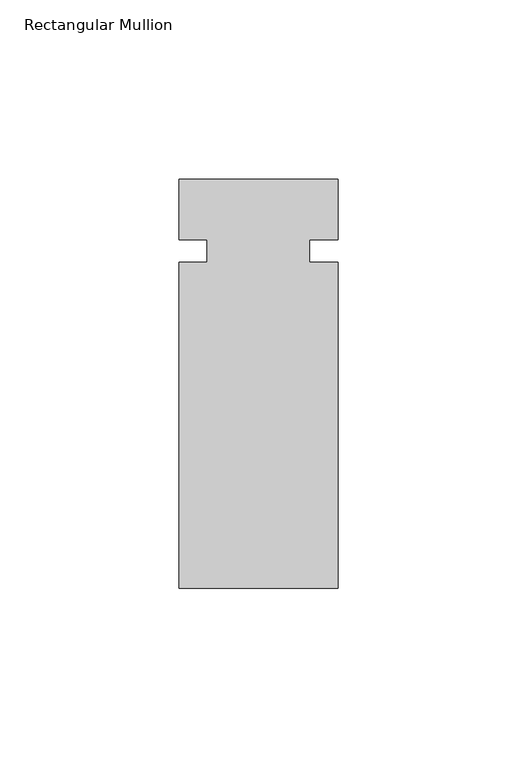
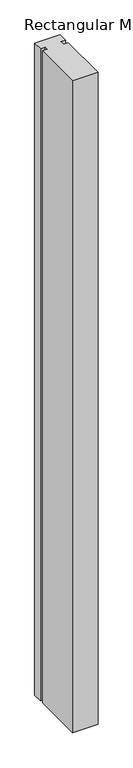
"""IFC4 building model written with IfcOpenShell, lengths in millimetres: member geometry, Rectangular Mullion."""

from ifc_helpers import new_model, si_unit, frame, origin, place, context, project, spatial, polyline, outline, extrude, source, transform, mapped, element, save


def rectangular_mullion_b78eccc1(model_context):
    return source(origin(), model_context, "Body", "SweptSolid", [
        extrude(outline(polyline([(-22.2250604, -3.1555912), (-14.2875604, -3.1555912), (-14.2875604, 3.1944088), (-22.2250604, 3.1944088), (-22.2250604, 20.1488824), (22.2249797, 20.1488824), (22.2249797, 3.1944088), (14.2874797, 3.1944088), (14.2874797, -3.1555912), (22.2249797, -3.1555912), (22.2249797, -94.1511191), (-22.2250604, -94.1511191), (-22.2250604, -3.1555912)])), frame((0.0, 0.0, -1204.3834049), z_axis=(0.0, 0.0, 1.0), x_axis=(1.0, 0.0, 0.0)), (0.0, 0.0, 1.0), 1204.3834049),
    ])


if __name__ == "__main__":
    model = new_model("IFC4")
    model_context = context("Model", 3, world=origin())
    ifc_project = project(units=[si_unit("LENGTHUNIT", "METRE", prefix="MILLI")], contexts=[model_context])
    site = spatial("IfcSite", under=ifc_project)
    building = spatial("IfcBuilding", under=site)
    placement = place(None, origin())
    rectangular_mullion_shape = rectangular_mullion_b78eccc1(model_context)
    element("IfcMember", 1, ObjectType="Rectangular Mullion", at=placement, inside=building, context=model_context, shape_type="MappedRepresentation", body=[
        mapped(rectangular_mullion_shape, transform((0.0, 0.0, 0.0), x_axis=(1.0, 0.0, 0.0), y_axis=(0.0, 1.0, 0.0), z_axis=(0.0, 0.0, 1.0))),
    ])
    save(model, "model.ifc")
